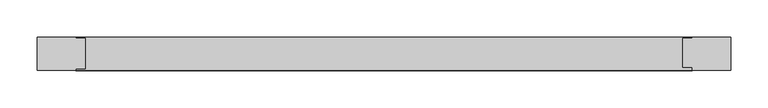
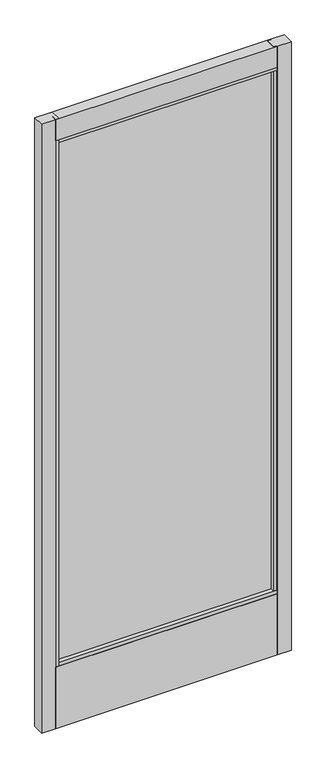
"""IFC4 building model written with IfcOpenShell, lengths in millimetres: plate geometry."""

import ifcopenshell
import ifcopenshell.guid

model = None  # the IFC model being written
_history = None  # IfcOwnerHistory: only IFC2X3 demands one
_inside = {}  # id of a spatial element -> (the spatial element, [elements in it])
_under = {}  # id of a project, library or spatial element -> (it, [spatial elements below it])
_declared = {}  # id of a project -> (the project, [libraries it declares])
_typed = {}  # id of a type object -> (the type object, [elements of that type])
_made_of = {}  # id of a material, layer set ... -> (it, [elements and type objects made of it])


def new_model(schema):
    """Start an empty IFC model of exactly this schema.

    Asked for "IFC4X3", IfcOpenShell would pick the latest addendum, in which some entities
    have other attributes; the version numbers below select the first issue.
    IFC2X3 requires an IfcOwnerHistory on every rooted entity: one is made here for all.
    """
    global model, _history
    if schema == "IFC4X3":
        model = ifcopenshell.file(schema_version=(4, 3, 0, 0))
    else:
        model = ifcopenshell.file(schema=schema)
    _inside.clear()
    _under.clear()
    _declared.clear()
    _typed.clear()
    _made_of.clear()
    _history = None
    if model.schema == "IFC2X3":
        org = make("IfcOrganization", Name="unknown")
        user = make(
            "IfcPersonAndOrganization",
            ThePerson=make("IfcPerson", FamilyName="unknown"),
            TheOrganization=org,
        )
        app = make(
            "IfcApplication",
            ApplicationDeveloper=org,
            Version="unknown",
            ApplicationFullName="unknown",
            ApplicationIdentifier="unknown",
        )
        _history = make(
            "IfcOwnerHistory",
            OwningUser=user,
            OwningApplication=app,
            ChangeAction="ADDED",
            CreationDate=0,
        )
    return model


def make(cls, **values):
    """One entity of the class cls with the attributes given. An attribute that is None is left unset."""
    return model.create_entity(
        cls, **{name: value for name, value in values.items() if value is not None}
    )


def rooted(cls, **values):
    """An entity with a GlobalId (a new one), such as an element, a storey or a relation."""
    return make(cls, GlobalId=ifcopenshell.guid.new(), OwnerHistory=_history, **values)


def si_unit(unit_type, name, prefix=None):
    """IfcSIUnit, for example si_unit("LENGTHUNIT", "METRE", prefix="MILLI")."""
    return make("IfcSIUnit", UnitType=unit_type, Prefix=prefix, Name=name)


def assignment(units):
    """IfcUnitAssignment: the units of a project."""
    return None if units is None else make("IfcUnitAssignment", Units=units)


def point(xyz):
    """IfcCartesianPoint."""
    return None if xyz is None else make("IfcCartesianPoint", Coordinates=xyz)


def direction(xyz):
    """IfcDirection."""
    return None if xyz is None else make("IfcDirection", DirectionRatios=xyz)


def frame(location, z_axis=None, x_axis=None):
    """IfcAxis2Placement3D, a coordinate frame: its origin and axes. An axis left out is left unset."""
    return make(
        "IfcAxis2Placement3D",
        Location=point(location),
        Axis=direction(z_axis),
        RefDirection=direction(x_axis),
    )


def origin():
    """The frame at (0, 0, 0) with its axes left unset."""
    return frame((0.0, 0.0, 0.0))


def place(relative_to, where):
    """IfcLocalPlacement: puts the frame where relative to a parent placement (None: the world)."""
    return make(
        "IfcLocalPlacement", PlacementRelTo=relative_to, RelativePlacement=where
    )


def context(
    kind, dimensions, precision=None, world=None, true_north=None, identifier=None
):
    """IfcGeometricRepresentationContext, for example the 3D "Model" context."""
    return make(
        "IfcGeometricRepresentationContext",
        ContextIdentifier=identifier,
        ContextType=kind,
        CoordinateSpaceDimension=dimensions,
        Precision=precision,
        WorldCoordinateSystem=world,
        TrueNorth=true_north,
    )


def project(units=None, contexts=None):
    """IfcProject with its units and contexts."""
    return rooted(
        "IfcProject",
        Name="project",
        RepresentationContexts=contexts,
        UnitsInContext=assignment(units),
    )


def spatial(cls, under=None, at=None, **own):
    """A site, building, storey or space (cls), placed at a placement, below another one or the project."""
    s = rooted(cls, ObjectPlacement=at, **own)
    if under is not None:
        _under.setdefault(under.id(), (under, []))[1].append(s)
    return s


def polyline(points):
    """IfcPolyline through the points."""
    return make("IfcPolyline", Points=[point(p) for p in points])


def outline(outer, holes=None, kind="AREA"):
    """IfcArbitraryClosedProfileDef: a profile drawn as a closed curve; with holes, ...WithVoids."""
    if holes is None:
        return make("IfcArbitraryClosedProfileDef", ProfileType=kind, OuterCurve=outer)
    return make(
        "IfcArbitraryProfileDefWithVoids",
        ProfileType=kind,
        OuterCurve=outer,
        InnerCurves=holes,
    )


def extrude(swept, where, along, depth):
    """IfcExtrudedAreaSolid: the profile swept, set in the frame where, extruded along a direction by depth."""
    return make(
        "IfcExtrudedAreaSolid",
        SweptArea=swept,
        Position=where,
        ExtrudedDirection=direction(along),
        Depth=depth,
    )


def shape(context_of_items, identifier, shape_type, items):
    """IfcShapeRepresentation: the items that make up one representation, for example the "Body"."""
    return make(
        "IfcShapeRepresentation",
        ContextOfItems=context_of_items,
        RepresentationIdentifier=identifier,
        RepresentationType=shape_type,
        Items=items,
    )


def source(mapping_origin, context_of_items, identifier, shape_type, items):
    """IfcRepresentationMap: a shape defined once, which mapped items show again and again."""
    return make(
        "IfcRepresentationMap",
        MappingOrigin=mapping_origin,
        MappedRepresentation=shape(context_of_items, identifier, shape_type, items),
    )


def transform(
    local_origin,
    x_axis=None,
    y_axis=None,
    z_axis=None,
    scale=None,
    scale2=None,
    scale3=None,
    uniform=True,
):
    """IfcCartesianTransformationOperator3D, or its non-uniform kind. x_axis, y_axis, z_axis: its Axis1, 2, 3."""
    if uniform:
        return make(
            "IfcCartesianTransformationOperator3D",
            Axis1=direction(x_axis),
            Axis2=direction(y_axis),
            LocalOrigin=point(local_origin),
            Scale=scale,
            Axis3=direction(z_axis),
        )
    return make(
        "IfcCartesianTransformationOperator3DnonUniform",
        Axis1=direction(x_axis),
        Axis2=direction(y_axis),
        LocalOrigin=point(local_origin),
        Scale=scale,
        Axis3=direction(z_axis),
        Scale2=scale2,
        Scale3=scale3,
    )


def mapped(mapping_source, mapping_target):
    """IfcMappedItem: shows the shape of a source again, moved by a transform."""
    return make(
        "IfcMappedItem", MappingSource=mapping_source, MappingTarget=mapping_target
    )


def made_of(thing, what):
    """Note that an element or type object is made of a material, layer set ...; save() writes the relation."""
    if what is not None:
        _made_of.setdefault(what.id(), (what, []))[1].append(thing)
    return thing


def element(
    cls,
    number,
    at=None,
    inside=None,
    cuts=None,
    type_object=None,
    material=None,
    context=None,
    identifier="Body",
    shape_type=None,
    held_by="IfcProductDefinitionShape",
    body=None,
    shapes=None,
    **own,
):
    """One element of the class cls, such as IfcWall. Its Tag is "e" and its number.

    at: its placement. inside: the storey or other place that contains it. cuts: it is an
    opening in that element (IfcRelVoidsElement). A single representation is given by context,
    identifier, shape_type and body (its items); several are given by shapes. held_by: the class
    of the entity that holds the representations. save() writes the other relations.
    """
    e = rooted(cls, Tag="e%d" % number, ObjectPlacement=at, **own)
    if body is not None:
        shapes = [shape(context, identifier, shape_type, body)]
    if shapes is not None:
        e.Representation = make(held_by, Representations=shapes)
    if inside is not None:
        _inside.setdefault(inside.id(), (inside, []))[1].append(e)
    if cuts is not None:
        rooted(
            "IfcRelVoidsElement", RelatingBuildingElement=cuts, RelatedOpeningElement=e
        )
    if type_object is not None:
        _typed.setdefault(type_object.id(), (type_object, []))[1].append(e)
    return made_of(e, material)


def aggregate(whole, parts):
    """IfcRelAggregates: a whole, such as a stair, and the parts it consists of."""
    return rooted("IfcRelAggregates", RelatingObject=whole, RelatedObjects=parts)


def save(model, path):
    """Write the relations noted so far, then the file.

    IfcRelAggregates (storeys below a building ...), IfcRelContainedInSpatialStructure (elements
    in a storey), IfcRelDefinesByType, IfcRelAssociatesMaterial and IfcRelDeclares: one each for
    every whole, place, type object, material and project.
    """
    for whole, parts in _under.values():
        aggregate(whole, parts)
    for where, things in _inside.values():
        rooted(
            "IfcRelContainedInSpatialStructure",
            RelatedElements=things,
            RelatingStructure=where,
        )
    for kind, things in _typed.values():
        rooted("IfcRelDefinesByType", RelatedObjects=things, RelatingType=kind)
    for what, things in _made_of.values():
        rooted("IfcRelAssociatesMaterial", RelatedObjects=things, RelatingMaterial=what)
    for by, libraries in _declared.values():
        rooted("IfcRelDeclares", RelatingContext=by, RelatedDefinitions=libraries)
    model.write(path)


def plate_d1dc1781(model_context):
    return source(origin(), model_context, "Body", "SweptSolid", [
        extrude(outline(polyline([(-466.1452987, 57.15), (-414.5414282, 57.15), (-414.5414282, 55.5901195), (-401.8414282, 55.5901195), (-401.8414282, 14.5695416), (-414.5414282, 14.5695416), (-414.5414282, 12.7), (-466.1452987, 12.7), (-466.1452987, 57.15)])), frame((0.0, 0.0, 17.4625), z_axis=(0.0, 0.0, 1.0), x_axis=(1.0, 0.0, 0.0)), (0.0, 0.0, 1.0), 2401.4594027),
        extrude(outline(polyline([(-410.2329645, 31.9633145), (-410.2329645, 38.3133145), (406.6224706, 38.3133145), (406.6224706, 31.9633145), (-410.2329645, 31.9633145)])), frame((0.0, 0.0, 263.906), z_axis=(0.0, 0.0, 1.0), x_axis=(1.0, 0.0, 0.0)), (0.0, 0.0, 1.0), 2067.7034027),
        extrude(outline(polyline([(466.1452987, 57.15), (466.1452987, 12.7), (414.5414282, 12.7), (414.5414282, 16.8052032), (401.8414282, 16.8052032), (401.8414282, 55.5901195), (414.5414282, 55.5901195), (414.5414282, 57.15), (466.1452987, 57.15)])), frame((0.0, 0.0, 17.4625), z_axis=(0.0, 0.0, 1.0), x_axis=(1.0, 0.0, 0.0)), (0.0, 0.0, 1.0), 2401.4594027),
        extrude(outline(polyline([(12.7, 2418.9219027), (57.15, 2418.9219027), (57.15, 2336.3746967), (55.5901195, 2336.3746967), (55.5901195, 2323.6719027), (14.5695416, 2323.6719027), (14.5695416, 2336.3746967), (12.7, 2336.3746967), (12.7, 2418.9219027)])), frame((-414.5414282, 0.0, 0.0), z_axis=(1.0, 0.0, 0.0), x_axis=(0.0, 1.0, 0.0)), (0.0, 0.0, 1.0), 829.0828564),
        extrude(outline(polyline([(14.5695416, 271.4298836), (55.5901195, 271.4298836), (55.5901195, 258.7303916), (57.15, 258.7303916), (57.15, 17.4625), (12.7, 17.4625), (12.7, 258.7303916), (14.5695416, 258.7303916), (14.5695416, 271.4298836)])), frame((-414.5414282, 0.0, 0.0), z_axis=(1.0, 0.0, 0.0), x_axis=(0.0, 1.0, 0.0)), (0.0, 0.0, 1.0), 829.0828564),
    ])


if __name__ == "__main__":
    model = new_model("IFC4")
    model_context = context("Model", 3, world=origin())
    ifc_project = project(units=[si_unit("LENGTHUNIT", "METRE", prefix="MILLI")], contexts=[model_context])
    site = spatial("IfcSite", under=ifc_project)
    building = spatial("IfcBuilding", under=site)
    placement = place(None, origin())
    plate_shape = plate_d1dc1781(model_context)
    element("IfcPlate", 1, at=placement, inside=building, context=model_context, shape_type="MappedRepresentation", body=[
        mapped(plate_shape, transform((0.0, 0.0, 0.0), x_axis=(1.0, 0.0, 0.0), y_axis=(0.0, 1.0, 0.0), z_axis=(0.0, 0.0, 1.0))),
    ])
    save(model, "model.ifc")
